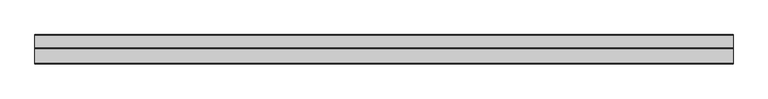
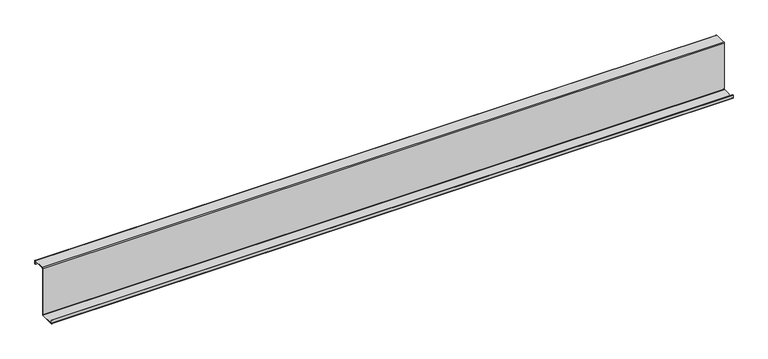
"""IFC4 building model written with IfcOpenShell, lengths in millimetres: member geometry."""

import ifcopenshell
import ifcopenshell.guid

model = None  # the IFC model being written
_history = None  # IfcOwnerHistory: only IFC2X3 demands one
_inside = {}  # id of a spatial element -> (the spatial element, [elements in it])
_under = {}  # id of a project, library or spatial element -> (it, [spatial elements below it])
_declared = {}  # id of a project -> (the project, [libraries it declares])
_typed = {}  # id of a type object -> (the type object, [elements of that type])
_made_of = {}  # id of a material, layer set ... -> (it, [elements and type objects made of it])


def new_model(schema):
    """Start an empty IFC model of exactly this schema.

    Asked for "IFC4X3", IfcOpenShell would pick the latest addendum, in which some entities
    have other attributes; the version numbers below select the first issue.
    IFC2X3 requires an IfcOwnerHistory on every rooted entity: one is made here for all.
    """
    global model, _history
    if schema == "IFC4X3":
        model = ifcopenshell.file(schema_version=(4, 3, 0, 0))
    else:
        model = ifcopenshell.file(schema=schema)
    _inside.clear()
    _under.clear()
    _declared.clear()
    _typed.clear()
    _made_of.clear()
    _history = None
    if model.schema == "IFC2X3":
        org = make("IfcOrganization", Name="unknown")
        user = make(
            "IfcPersonAndOrganization",
            ThePerson=make("IfcPerson", FamilyName="unknown"),
            TheOrganization=org,
        )
        app = make(
            "IfcApplication",
            ApplicationDeveloper=org,
            Version="unknown",
            ApplicationFullName="unknown",
            ApplicationIdentifier="unknown",
        )
        _history = make(
            "IfcOwnerHistory",
            OwningUser=user,
            OwningApplication=app,
            ChangeAction="ADDED",
            CreationDate=0,
        )
    return model


def make(cls, **values):
    """One entity of the class cls with the attributes given. An attribute that is None is left unset."""
    return model.create_entity(
        cls, **{name: value for name, value in values.items() if value is not None}
    )


def rooted(cls, **values):
    """An entity with a GlobalId (a new one), such as an element, a storey or a relation."""
    return make(cls, GlobalId=ifcopenshell.guid.new(), OwnerHistory=_history, **values)


def si_unit(unit_type, name, prefix=None):
    """IfcSIUnit, for example si_unit("LENGTHUNIT", "METRE", prefix="MILLI")."""
    return make("IfcSIUnit", UnitType=unit_type, Prefix=prefix, Name=name)


def assignment(units):
    """IfcUnitAssignment: the units of a project."""
    return None if units is None else make("IfcUnitAssignment", Units=units)


def point(xyz):
    """IfcCartesianPoint."""
    return None if xyz is None else make("IfcCartesianPoint", Coordinates=xyz)


def direction(xyz):
    """IfcDirection."""
    return None if xyz is None else make("IfcDirection", DirectionRatios=xyz)


def frame(location, z_axis=None, x_axis=None):
    """IfcAxis2Placement3D, a coordinate frame: its origin and axes. An axis left out is left unset."""
    return make(
        "IfcAxis2Placement3D",
        Location=point(location),
        Axis=direction(z_axis),
        RefDirection=direction(x_axis),
    )


def frame_2d(location, x_axis=None):
    """IfcAxis2Placement2D, a coordinate frame in the plane: its origin and x axis."""
    return make(
        "IfcAxis2Placement2D", Location=point(location), RefDirection=direction(x_axis)
    )


def origin():
    """The frame at (0, 0, 0) with its axes left unset."""
    return frame((0.0, 0.0, 0.0))


def place(relative_to, where):
    """IfcLocalPlacement: puts the frame where relative to a parent placement (None: the world)."""
    return make(
        "IfcLocalPlacement", PlacementRelTo=relative_to, RelativePlacement=where
    )


def context(
    kind, dimensions, precision=None, world=None, true_north=None, identifier=None
):
    """IfcGeometricRepresentationContext, for example the 3D "Model" context."""
    return make(
        "IfcGeometricRepresentationContext",
        ContextIdentifier=identifier,
        ContextType=kind,
        CoordinateSpaceDimension=dimensions,
        Precision=precision,
        WorldCoordinateSystem=world,
        TrueNorth=true_north,
    )


def project(units=None, contexts=None):
    """IfcProject with its units and contexts."""
    return rooted(
        "IfcProject",
        Name="project",
        RepresentationContexts=contexts,
        UnitsInContext=assignment(units),
    )


def spatial(cls, under=None, at=None, **own):
    """A site, building, storey or space (cls), placed at a placement, below another one or the project."""
    s = rooted(cls, ObjectPlacement=at, **own)
    if under is not None:
        _under.setdefault(under.id(), (under, []))[1].append(s)
    return s


def polyline(points):
    """IfcPolyline through the points."""
    return make("IfcPolyline", Points=[point(p) for p in points])


def circle_curve(where, radius):
    """IfcCircle in the frame where."""
    return make("IfcCircle", Position=where, Radius=radius)


def trimmed(basis, trim1, trim2, sense, master):
    """IfcTrimmedCurve: the piece of a basis curve between two trims."""
    return make(
        "IfcTrimmedCurve",
        BasisCurve=basis,
        Trim1=trim1,
        Trim2=trim2,
        SenseAgreement=sense,
        MasterRepresentation=master,
    )


def segment(curve, same_sense, transition):
    """IfcCompositeCurveSegment."""
    return make(
        "IfcCompositeCurveSegment",
        Transition=transition,
        SameSense=same_sense,
        ParentCurve=curve,
    )


def composite_curve(segments, self_intersect=None):
    """IfcCompositeCurve: segments joined end to end."""
    return make("IfcCompositeCurve", Segments=segments, SelfIntersect=self_intersect)


def outline(outer, holes=None, kind="AREA"):
    """IfcArbitraryClosedProfileDef: a profile drawn as a closed curve; with holes, ...WithVoids."""
    if holes is None:
        return make("IfcArbitraryClosedProfileDef", ProfileType=kind, OuterCurve=outer)
    return make(
        "IfcArbitraryProfileDefWithVoids",
        ProfileType=kind,
        OuterCurve=outer,
        InnerCurves=holes,
    )


def extrude(swept, where, along, depth):
    """IfcExtrudedAreaSolid: the profile swept, set in the frame where, extruded along a direction by depth."""
    return make(
        "IfcExtrudedAreaSolid",
        SweptArea=swept,
        Position=where,
        ExtrudedDirection=direction(along),
        Depth=depth,
    )


def shape(context_of_items, identifier, shape_type, items):
    """IfcShapeRepresentation: the items that make up one representation, for example the "Body"."""
    return make(
        "IfcShapeRepresentation",
        ContextOfItems=context_of_items,
        RepresentationIdentifier=identifier,
        RepresentationType=shape_type,
        Items=items,
    )


def source(mapping_origin, context_of_items, identifier, shape_type, items):
    """IfcRepresentationMap: a shape defined once, which mapped items show again and again."""
    return make(
        "IfcRepresentationMap",
        MappingOrigin=mapping_origin,
        MappedRepresentation=shape(context_of_items, identifier, shape_type, items),
    )


def transform(
    local_origin,
    x_axis=None,
    y_axis=None,
    z_axis=None,
    scale=None,
    scale2=None,
    scale3=None,
    uniform=True,
):
    """IfcCartesianTransformationOperator3D, or its non-uniform kind. x_axis, y_axis, z_axis: its Axis1, 2, 3."""
    if uniform:
        return make(
            "IfcCartesianTransformationOperator3D",
            Axis1=direction(x_axis),
            Axis2=direction(y_axis),
            LocalOrigin=point(local_origin),
            Scale=scale,
            Axis3=direction(z_axis),
        )
    return make(
        "IfcCartesianTransformationOperator3DnonUniform",
        Axis1=direction(x_axis),
        Axis2=direction(y_axis),
        LocalOrigin=point(local_origin),
        Scale=scale,
        Axis3=direction(z_axis),
        Scale2=scale2,
        Scale3=scale3,
    )


def mapped(mapping_source, mapping_target):
    """IfcMappedItem: shows the shape of a source again, moved by a transform."""
    return make(
        "IfcMappedItem", MappingSource=mapping_source, MappingTarget=mapping_target
    )


def made_of(thing, what):
    """Note that an element or type object is made of a material, layer set ...; save() writes the relation."""
    if what is not None:
        _made_of.setdefault(what.id(), (what, []))[1].append(thing)
    return thing


def element(
    cls,
    number,
    at=None,
    inside=None,
    cuts=None,
    type_object=None,
    material=None,
    context=None,
    identifier="Body",
    shape_type=None,
    held_by="IfcProductDefinitionShape",
    body=None,
    shapes=None,
    **own,
):
    """One element of the class cls, such as IfcWall. Its Tag is "e" and its number.

    at: its placement. inside: the storey or other place that contains it. cuts: it is an
    opening in that element (IfcRelVoidsElement). A single representation is given by context,
    identifier, shape_type and body (its items); several are given by shapes. held_by: the class
    of the entity that holds the representations. save() writes the other relations.
    """
    e = rooted(cls, Tag="e%d" % number, ObjectPlacement=at, **own)
    if body is not None:
        shapes = [shape(context, identifier, shape_type, body)]
    if shapes is not None:
        e.Representation = make(held_by, Representations=shapes)
    if inside is not None:
        _inside.setdefault(inside.id(), (inside, []))[1].append(e)
    if cuts is not None:
        rooted(
            "IfcRelVoidsElement", RelatingBuildingElement=cuts, RelatedOpeningElement=e
        )
    if type_object is not None:
        _typed.setdefault(type_object.id(), (type_object, []))[1].append(e)
    return made_of(e, material)


def aggregate(whole, parts):
    """IfcRelAggregates: a whole, such as a stair, and the parts it consists of."""
    return rooted("IfcRelAggregates", RelatingObject=whole, RelatedObjects=parts)


def save(model, path):
    """Write the relations noted so far, then the file.

    IfcRelAggregates (storeys below a building ...), IfcRelContainedInSpatialStructure (elements
    in a storey), IfcRelDefinesByType, IfcRelAssociatesMaterial and IfcRelDeclares: one each for
    every whole, place, type object, material and project.
    """
    for whole, parts in _under.values():
        aggregate(whole, parts)
    for where, things in _inside.values():
        rooted(
            "IfcRelContainedInSpatialStructure",
            RelatedElements=things,
            RelatingStructure=where,
        )
    for kind, things in _typed.values():
        rooted("IfcRelDefinesByType", RelatedObjects=things, RelatingType=kind)
    for what, things in _made_of.values():
        rooted("IfcRelAssociatesMaterial", RelatedObjects=things, RelatingMaterial=what)
    for by, libraries in _declared.values():
        rooted("IfcRelDeclares", RelatingContext=by, RelatedDefinitions=libraries)
    model.write(path)


def member_6afade06(model_context):
    return source(origin(), model_context, "Body", "SweptSolid", [
        extrude(outline(composite_curve([segment(trimmed(circle_curve(frame_2d((-3.5, -123.5)), 3.5), [point((0.0, -123.5))], [point((-3.5, -127.0))], False, "CARTESIAN"), True, "CONTINUOUS"), segment(polyline([(-3.5, -127.0), (-75.0, -127.0)]), True, "CONTINUOUS"), segment(trimmed(circle_curve(frame_2d((-75.0, -123.5)), 3.5), [point((-75.0, -127.0))], [point((-78.5, -123.5))], False, "CARTESIAN"), True, "CONTINUOUS"), segment(polyline([(-78.5, -123.5), (-78.5, -107.5), (-77.0, -107.5), (-77.0, -123.5)]), True, "CONTINUOUS"), segment(trimmed(circle_curve(frame_2d((-75.0, -123.5)), 2.0), [point((-77.0, -123.5))], [point((-75.0, -125.5))], True, "CARTESIAN"), True, "CONTINUOUS"), segment(polyline([(-75.0, -125.5), (-3.5, -125.5)]), True, "CONTINUOUS"), segment(trimmed(circle_curve(frame_2d((-3.5, -123.5)), 2.0), [point((-3.5, -125.5))], [point((-1.5, -123.5))], True, "CARTESIAN"), True, "CONTINUOUS"), segment(polyline([(-1.5, -123.5), (-1.5, 123.5)]), True, "CONTINUOUS"), segment(trimmed(circle_curve(frame_2d((2.0, 123.5)), 3.5), [point((-1.5, 123.5))], [point((2.0, 127.0))], False, "CARTESIAN"), True, "CONTINUOUS"), segment(polyline([(2.0, 127.0), (63.5, 127.0)]), True, "CONTINUOUS"), segment(trimmed(circle_curve(frame_2d((63.5, 123.5)), 3.5), [point((63.5, 127.0))], [point((67.0, 123.5))], False, "CARTESIAN"), True, "CONTINUOUS"), segment(polyline([(67.0, 123.5), (67.0, 107.0), (65.5, 107.0), (65.5, 123.5)]), True, "CONTINUOUS"), segment(trimmed(circle_curve(frame_2d((63.5, 123.5)), 2.0), [point((65.5, 123.5))], [point((63.5, 125.5))], True, "CARTESIAN"), True, "CONTINUOUS"), segment(polyline([(63.5, 125.5), (2.0, 125.5)]), True, "CONTINUOUS"), segment(trimmed(circle_curve(frame_2d((2.0, 123.5)), 2.0), [point((2.0, 125.5))], [point((0.0, 123.5))], True, "CARTESIAN"), True, "CONTINUOUS"), segment(polyline([(0.0, 123.5), (0.0, -123.5)]), True, "CONTINUOUS")], self_intersect=False)), frame((-1728.0, 0.0, 0.0), z_axis=(1.0, 0.0, 0.0), x_axis=(0.0, 1.0, 0.0)), (0.0, 0.0, 1.0), 3456.0),
    ])


if __name__ == "__main__":
    model = new_model("IFC4")
    model_context = context("Model", 3, world=origin())
    ifc_project = project(units=[si_unit("LENGTHUNIT", "METRE", prefix="MILLI")], contexts=[model_context])
    site = spatial("IfcSite", under=ifc_project)
    building = spatial("IfcBuilding", under=site)
    placement = place(None, origin())
    member_shape = member_6afade06(model_context)
    element("IfcMember", 1, at=placement, inside=building, context=model_context, shape_type="MappedRepresentation", body=[
        mapped(member_shape, transform((0.0, 0.0, 0.0), x_axis=(1.0, 0.0, 0.0), y_axis=(0.0, 1.0, 0.0), z_axis=(0.0, 0.0, 1.0))),
    ])
    save(model, "model.ifc")
